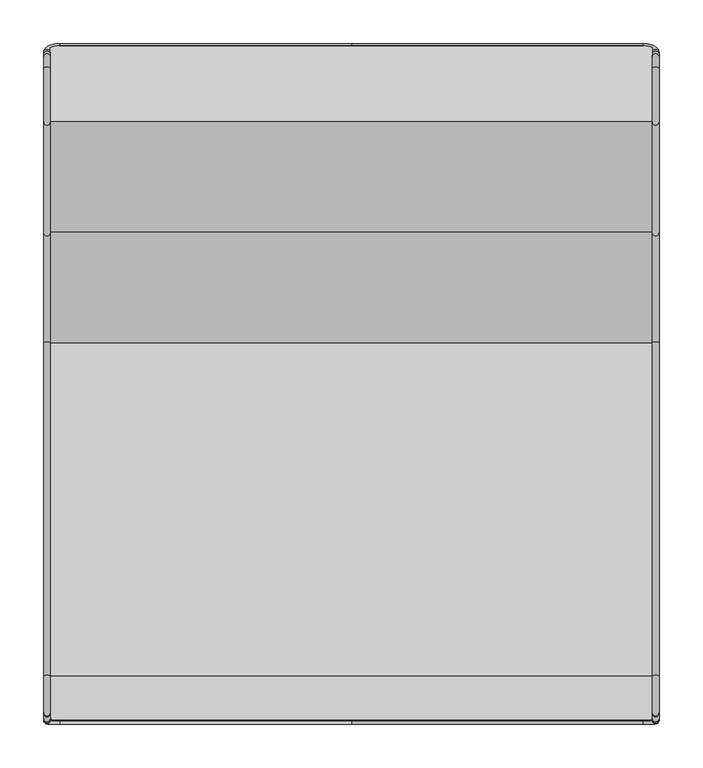
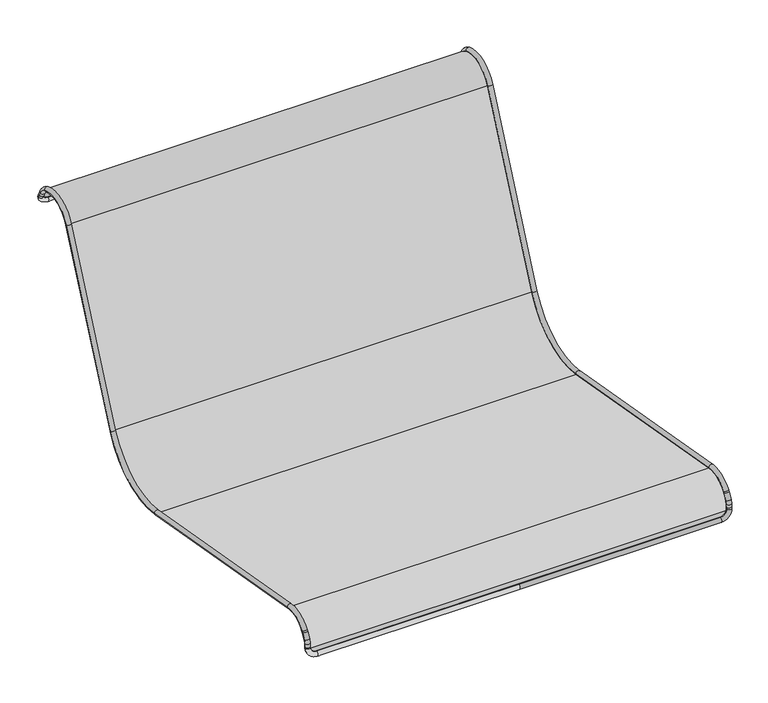
"""IFC4 building model written with IfcOpenShell, lengths in millimetres: furniture geometry."""

from ifc_helpers import new_model, si_unit, point, frame, frame_2d, origin, place, context, project, spatial, polyline, circle_curve, ellipse_curve, trimmed, segment, composite_curve, outline, extrude, source, transform, mapped, element, save
from ifc_brep_helpers import cylinder_surface, revolved_surface, advanced_brep


def furniture_10252353(model_context):
    return source(origin(), model_context, "Body", "SolidModel", [
        advanced_brep(
        [(-353.440108, 373.7937013, 682.4780585), (-353.440108, 371.646043, 686.9933175), (-345.440108, 371.646043, 686.9933175), (-345.440108, 373.7937013, 682.4780585), (-345.440108, 296.4612266, 676.0749425), (-345.440108, 357.7572354, 700.2806419), (-353.440108, 357.7572354, 700.2806419), (-353.440108, 296.4612266, 676.0749425), (-353.440108, 169.6234197, 391.1925638), (-345.440108, 169.6234197, 391.1925638), (-353.440108, 43.6034187, 324.1865407), (-345.440108, 43.6034187, 324.1865407), (-353.440108, -338.739978, 391.6039975), (-345.440108, -338.739978, 391.6039975), (-353.440108, -381.5432629, 374.8006881), (-345.440108, -381.5432629, 374.8006881), (-345.440108, -382.9815742, 372.5487627), (-353.440108, -382.9815742, 372.5487627), (-353.440108, -388.067645, 362.9832548), (-345.440108, -388.067645, 362.9832548), (0.0, 384.102461, 660.8048152), (-334.440108, 384.102461, 660.8048152), (-334.440108, 380.6662078, 668.0292297), (0.0, 380.6662078, 668.0292297), (-345.440108, 375.9413596, 677.9627995), (-353.440108, 375.9413596, 677.9627995), (-345.440108, -389.6972432, 357.1071135), (-353.440108, -389.6972432, 357.1071135), (-353.440108, -389.9613935, 352.0668255), (-345.440108, -389.9613935, 352.0668255), (0.0, -391.0683935, 330.9440069), (-334.440108, -391.0683935, 330.9440069), (-334.440108, -390.6497059, 338.9330432), (0.0, -390.6497059, 338.9330432), (-345.440108, -390.0740104, 349.9179681), (-353.440108, -390.0740104, 349.9179681), (334.440108, -390.6497059, 338.9330432), (334.440108, -391.0683935, 330.9440069), (353.440108, -390.0740104, 349.9179681), (345.440108, -390.0740104, 349.9179681), (345.440108, -389.9613935, 352.0668255), (353.440108, -389.9613935, 352.0668255), (345.440108, 373.7937013, 682.4780585), (345.440108, 371.646043, 686.9933175), (353.440108, 371.646043, 686.9933175), (353.440108, 373.7937013, 682.4780585), (353.440108, 296.4612266, 676.0749425), (353.440108, 357.7572354, 700.2806419), (345.440108, 357.7572354, 700.2806419), (345.440108, 296.4612266, 676.0749425), (345.440108, 169.6234197, 391.1925638), (353.440108, 169.6234197, 391.1925638), (345.440108, 43.6034187, 324.1865407), (353.440108, 43.6034187, 324.1865407), (345.440108, -338.739978, 391.6039975), (353.440108, -338.739978, 391.6039975), (345.440108, -381.5432629, 374.8006881), (353.440108, -381.5432629, 374.8006881), (353.440108, -382.9815742, 372.5487627), (345.440108, -382.9815742, 372.5487627), (345.440108, -388.067645, 362.9832548), (353.440108, -388.067645, 362.9832548), (353.440108, -389.6972432, 357.1071135), (345.440108, -389.6972432, 357.1071135), (334.440108, 380.6662078, 668.0292297), (334.440108, 384.102461, 660.8048152), (353.440108, 375.9413596, 677.9627995), (345.440108, 375.9413596, 677.9627995)],
        [
            (0, 1),
            (1, 2, circle_curve(frame((-349.440108, 371.646043, 686.9933175), z_axis=(0.0, 0.4295316530768693, -0.9030518030573064), x_axis=(1.0, 0.0, 0.0)), 4.0)),
            (2, 3),
            (3, 0, circle_curve(frame((-349.440108, 373.7937013, 682.4780585), z_axis=(0.0, -0.4295316530768693, 0.9030518030573064), x_axis=(1.0, 0.0, 0.0)), 4.0)),
            (0, 3, circle_curve(frame((-349.440108, 373.7937013, 682.4780585), z_axis=(0.0, -0.4295316530768693, 0.9030518030573064), x_axis=(1.0, 0.0, 0.0)), 4.0)),
            (2, 1, circle_curve(frame((-349.440108, 371.646043, 686.9933175), z_axis=(0.0, 0.4295316530768693, -0.9030518030573064), x_axis=(1.0, 0.0, 0.0)), 4.0)),
            (4, 5, circle_curve(frame((-345.440108, 339.4462618, 656.9367718), z_axis=(-1.0, 0.0, 0.0), x_axis=(0.0, 0.38915652171683707, 0.9211716461144758)), 47.0529789)),
            (5, 6, circle_curve(frame((-349.440108, 357.7572354, 700.2806419), z_axis=(0.0, -0.9211716461144758, 0.38915652171683707), x_axis=(1.0, 0.0, 0.0)), 4.0)),
            (6, 7, circle_curve(frame((-353.440108, 339.4462618, 656.9367718), z_axis=(1.0, 0.0, 0.0), x_axis=(0.0, 0.38915652171683707, 0.9211716461144758)), 47.0529789)),
            (7, 4, circle_curve(frame((-349.440108, 296.4612266, 676.0749425), z_axis=(0.0, 0.406736643075932, 0.9135454576425424), x_axis=(1.0, 0.0, 0.0)), 4.0)),
            (4, 7, circle_curve(frame((-349.440108, 296.4612266, 676.0749425), z_axis=(0.0, 0.406736643075932, 0.9135454576425424), x_axis=(1.0, 0.0, 0.0)), 4.0)),
            (6, 5, circle_curve(frame((-349.440108, 357.7572354, 700.2806419), z_axis=(0.0, -0.9211716461144758, 0.38915652171683707), x_axis=(1.0, 0.0, 0.0)), 4.0)),
            (7, 8),
            (8, 9, circle_curve(frame((-349.440108, 169.6234197, 391.1925638), z_axis=(0.0, 0.4067366430759277, 0.9135454576425441), x_axis=(1.0, 0.0, 0.0)), 4.0)),
            (9, 4),
            (9, 8, circle_curve(frame((-349.440108, 169.6234197, 391.1925638), z_axis=(0.0, 0.4067366430759277, 0.9135454576425441), x_axis=(1.0, 0.0, 0.0)), 4.0)),
            (8, 10, circle_curve(frame((-353.440108, 63.7315199, 438.3386751), z_axis=(-1.0, 0.0, 0.0), x_axis=(0.0, 0.9135454576425466, -0.40673664307592233)), 115.9131151)),
            (10, 11, circle_curve(frame((-349.440108, 43.6034187, 324.1865407), z_axis=(0.0, 0.9848077530121874, -0.17364817766704793), x_axis=(1.0, 0.0, 0.0)), 4.0)),
            (11, 9, circle_curve(frame((-345.440108, 63.7315199, 438.3386751), z_axis=(1.0, 0.0, 0.0), x_axis=(0.0, 0.9135454576425466, -0.40673664307592233)), 115.9131151)),
            (11, 10, circle_curve(frame((-349.440108, 43.6034187, 324.1865407), z_axis=(0.0, 0.9848077530121874, -0.17364817766704793), x_axis=(1.0, 0.0, 0.0)), 4.0)),
            (10, 12),
            (12, 13, circle_curve(frame((-349.440108, -338.739978, 391.6039975), z_axis=(0.0, 0.9848077530121863, -0.17364817766705426), x_axis=(1.0, 0.0, 0.0)), 4.0)),
            (13, 11),
            (13, 12, circle_curve(frame((-349.440108, -338.739978, 391.6039975), z_axis=(0.0, 0.9848077530121863, -0.17364817766705426), x_axis=(1.0, 0.0, 0.0)), 4.0)),
            (12, 14, circle_curve(frame((-353.440108, -346.3955852, 348.1868914), z_axis=(1.0, 0.0, 0.0), x_axis=(0.0, 0.17364817766705343, 0.9848077530121864)), 44.0868849)),
            (14, 15, circle_curve(frame((-349.440108, -381.5432629, 374.8006881), z_axis=(0.0, 0.6036669805096835, 0.7972365876214673), x_axis=(1.0, 0.0, 0.0)), 4.0)),
            (15, 13, circle_curve(frame((-345.440108, -346.3955852, 348.1868914), z_axis=(-1.0, 0.0, 0.0), x_axis=(0.0, 0.17364817766705343, 0.9848077530121864)), 44.0868849)),
            (15, 14, circle_curve(frame((-349.440108, -381.5432629, 374.8006881), z_axis=(0.0, 0.6036669805096835, 0.7972365876214673), x_axis=(1.0, 0.0, 0.0)), 4.0)),
            (16, 17, circle_curve(frame((-349.440108, -382.9815742, 372.5487627), z_axis=(0.0, -0.46947156278589175, -0.8829475928589264), x_axis=(1.0, 0.0, 0.0)), 4.0)),
            (17, 18),
            (18, 19, circle_curve(frame((-349.440108, -388.067645, 362.9832548), z_axis=(0.0, 0.46947156278589175, 0.8829475928589264), x_axis=(1.0, 0.0, 0.0)), 4.0)),
            (19, 16),
            (17, 16, circle_curve(frame((-349.440108, -382.9815742, 372.5487627), z_axis=(0.0, -0.46947156278589175, -0.8829475928589264), x_axis=(1.0, 0.0, 0.0)), 4.0)),
            (19, 18, circle_curve(frame((-349.440108, -388.067645, 362.9832548), z_axis=(0.0, 0.46947156278589175, 0.8829475928589264), x_axis=(1.0, 0.0, 0.0)), 4.0)),
            (1, 6, circle_curve(frame((-353.440108, 347.239684, 675.3845663), z_axis=(1.0, 0.0, 0.0), x_axis=(0.0, 0.9030518030573125, 0.4295316530768563)), 27.0265327)),
            (5, 2, circle_curve(frame((-345.440108, 347.239684, 675.3845663), z_axis=(-1.0, 0.0, 0.0), x_axis=(0.0, 0.9030518030573125, 0.4295316530768563)), 27.0265327)),
            (20, 21),
            (21, 22, circle_curve(frame((-334.440108, 382.3843344, 664.4170225), z_axis=(1.0, 0.0, 0.0), x_axis=(0.0, -0.4295316530768436, 0.9030518030573186)), 4.0)),
            (22, 23),
            (23, 20, circle_curve(frame((0.0, 382.3843344, 664.4170225), z_axis=(-1.0, 0.0, 0.0), x_axis=(0.0, -0.4295316530768436, 0.9030518030573186)), 4.0)),
            (20, 23, circle_curve(frame((0.0, 382.3843344, 664.4170225), z_axis=(-1.0, 0.0, 0.0), x_axis=(0.0, -0.4295316530768436, 0.9030518030573186)), 4.0)),
            (22, 21, circle_curve(frame((-334.440108, 382.3843344, 664.4170225), z_axis=(1.0, 0.0, 0.0), x_axis=(0.0, -0.4295316530768436, 0.9030518030573186)), 4.0)),
            (24, 25, circle_curve(frame((-349.440108, 375.9413596, 677.9627995), z_axis=(0.0, -0.4295316530768436, 0.9030518030573186), x_axis=(1.0, 0.0, 0.0)), 4.0)),
            (25, 0),
            (3, 24),
            (25, 24, circle_curve(frame((-349.440108, 375.9413596, 677.9627995), z_axis=(0.0, -0.4295316530768436, 0.9030518030573186), x_axis=(1.0, 0.0, 0.0)), 4.0)),
            (21, 25, circle_curve(frame((-334.440108, 375.9413596, 677.9627995), z_axis=(0.0, 0.9030518030573186, 0.4295316530768436), x_axis=(0.0, 0.4295316530768436, -0.9030518030573186)), 19.0)),
            (24, 22, circle_curve(frame((-334.440108, 375.9413596, 677.9627995), z_axis=(0.0, -0.9030518030573186, -0.4295316530768436), x_axis=(0.0, 0.4295316530768436, -0.9030518030573186)), 11.0)),
            (14, 17, circle_curve(frame((-353.440108, -368.164883, 364.6705883), z_axis=(1.0, 0.0, 0.0), x_axis=(0.0, -0.7972365876214653, 0.6036669805096861)), 16.7809407)),
            (16, 15, circle_curve(frame((-345.440108, -368.164883, 364.6705883), z_axis=(-1.0, 0.0, 0.0), x_axis=(0.0, -0.7972365876214653, 0.6036669805096861)), 16.7809407)),
            (26, 27, circle_curve(frame((-349.440108, -389.6972432, 357.1071135), z_axis=(0.0, -0.05233595624294962, -0.9986295347545736), x_axis=(1.0, 0.0, 0.0)), 4.0)),
            (27, 28),
            (28, 29, circle_curve(frame((-349.440108, -389.9613935, 352.0668255), z_axis=(0.0, 0.05233595624294962, 0.9986295347545736), x_axis=(1.0, 0.0, 0.0)), 4.0)),
            (29, 26),
            (27, 26, circle_curve(frame((-349.440108, -389.6972432, 357.1071135), z_axis=(0.0, -0.05233595624294962, -0.9986295347545736), x_axis=(1.0, 0.0, 0.0)), 4.0)),
            (29, 28, circle_curve(frame((-349.440108, -389.9613935, 352.0668255), z_axis=(0.0, 0.05233595624294962, 0.9986295347545736), x_axis=(1.0, 0.0, 0.0)), 4.0)),
            (18, 27, circle_curve(frame((-353.440108, -375.6296639, 356.3698629), z_axis=(1.0, 0.0, 0.0), x_axis=(0.0, -0.8829475928589232, 0.46947156278589786)), 14.0868849)),
            (26, 19, circle_curve(frame((-345.440108, -375.6296639, 356.3698629), z_axis=(-1.0, 0.0, 0.0), x_axis=(0.0, -0.8829475928589232, 0.46947156278589786)), 14.0868849)),
            (30, 31),
            (31, 32, circle_curve(frame((-334.440108, -390.8590497, 334.938525), z_axis=(1.0, 0.0, 0.0), x_axis=(0.0, 0.052335956242932254, 0.9986295347545745)), 4.0)),
            (32, 33),
            (33, 30, circle_curve(frame((0.0, -390.8590497, 334.938525), z_axis=(-1.0, 0.0, 0.0), x_axis=(0.0, 0.052335956242932254, 0.9986295347545745)), 4.0)),
            (30, 33, circle_curve(frame((0.0, -390.8590497, 334.938525), z_axis=(-1.0, 0.0, 0.0), x_axis=(0.0, 0.052335956242932254, 0.9986295347545745)), 4.0)),
            (32, 31, circle_curve(frame((-334.440108, -390.8590497, 334.938525), z_axis=(1.0, 0.0, 0.0), x_axis=(0.0, 0.052335956242932254, 0.9986295347545745)), 4.0)),
            (34, 35, circle_curve(frame((-349.440108, -390.0740104, 349.9179681), z_axis=(0.0, 0.052335956242932254, 0.9986295347545745), x_axis=(1.0, 0.0, 0.0)), 4.0)),
            (35, 28),
            (29, 34),
            (35, 34, circle_curve(frame((-349.440108, -390.0740104, 349.9179681), z_axis=(0.0, 0.052335956242932254, 0.9986295347545745), x_axis=(1.0, 0.0, 0.0)), 4.0)),
            (31, 35, circle_curve(frame((-334.440108, -390.0740104, 349.9179681), z_axis=(0.0, 0.9986295347545745, -0.052335956242932254), x_axis=(0.0, -0.052335956242932254, -0.9986295347545745)), 19.0)),
            (34, 32, circle_curve(frame((-334.440108, -390.0740104, 349.9179681), z_axis=(0.0, -0.9986295347545745, 0.052335956242932254), x_axis=(0.0, -0.052335956242932254, -0.9986295347545745)), 11.0)),
            (33, 36),
            (36, 37, circle_curve(frame((334.440108, -390.8590497, 334.938525), z_axis=(-1.0, 0.0, 0.0), x_axis=(0.0, 0.052335956242932254, 0.9986295347545745)), 4.0)),
            (37, 30),
            (37, 36, circle_curve(frame((334.440108, -390.8590497, 334.938525), z_axis=(-1.0, 0.0, 0.0), x_axis=(0.0, 0.052335956242932254, 0.9986295347545745)), 4.0)),
            (38, 39, circle_curve(frame((349.440108, -390.0740104, 349.9179681), z_axis=(0.0, 0.052335956242932254, 0.9986295347545745), x_axis=(-1.0, 0.0, 0.0)), 4.0)),
            (39, 40),
            (40, 41, circle_curve(frame((349.440108, -389.9613935, 352.0668255), z_axis=(0.0, -0.052335956242932254, -0.9986295347545745), x_axis=(-1.0, 0.0, 0.0)), 4.0)),
            (41, 38),
            (39, 38, circle_curve(frame((349.440108, -390.0740104, 349.9179681), z_axis=(0.0, 0.052335956242932254, 0.9986295347545745), x_axis=(-1.0, 0.0, 0.0)), 4.0)),
            (41, 40, circle_curve(frame((349.440108, -389.9613935, 352.0668255), z_axis=(0.0, -0.052335956242932254, -0.9986295347545745), x_axis=(-1.0, 0.0, 0.0)), 4.0)),
            (36, 39, circle_curve(frame((334.440108, -390.0740104, 349.9179681), z_axis=(0.0, -0.9986295347545745, 0.052335956242932254), x_axis=(0.0, -0.052335956242932254, -0.9986295347545745)), 11.0)),
            (38, 37, circle_curve(frame((334.440108, -390.0740104, 349.9179681), z_axis=(0.0, 0.9986295347545745, -0.052335956242932254), x_axis=(0.0, -0.052335956242932254, -0.9986295347545745)), 19.0)),
            (42, 43),
            (43, 44, circle_curve(frame((349.440108, 371.646043, 686.9933175), z_axis=(0.0, 0.4295316530768692, -0.9030518030573064), x_axis=(-1.0, 0.0, 0.0)), 4.0)),
            (44, 45),
            (45, 42, circle_curve(frame((349.440108, 373.7937013, 682.4780585), z_axis=(0.0, -0.4295316530768692, 0.9030518030573064), x_axis=(-1.0, 0.0, 0.0)), 4.0)),
            (42, 45, circle_curve(frame((349.440108, 373.7937013, 682.4780585), z_axis=(0.0, -0.4295316530768692, 0.9030518030573064), x_axis=(-1.0, 0.0, 0.0)), 4.0)),
            (44, 43, circle_curve(frame((349.440108, 371.646043, 686.9933175), z_axis=(0.0, 0.4295316530768692, -0.9030518030573064), x_axis=(-1.0, 0.0, 0.0)), 4.0)),
            (46, 47, circle_curve(frame((353.440108, 339.4462618, 656.9367718), z_axis=(-1.0, 0.0, 0.0), x_axis=(0.0, 0.38915652171683707, 0.9211716461144758)), 47.0529789)),
            (47, 48, circle_curve(frame((349.440108, 357.7572354, 700.2806419), z_axis=(0.0, -0.9211716461144757, 0.3891565217168374), x_axis=(-1.0, 0.0, 0.0)), 4.0)),
            (48, 49, circle_curve(frame((345.440108, 339.4462618, 656.9367718), z_axis=(1.0, 0.0, 0.0), x_axis=(0.0, 0.38915652171683707, 0.9211716461144758)), 47.0529789)),
            (49, 46, circle_curve(frame((349.440108, 296.4612266, 676.0749425), z_axis=(0.0, 0.40673664307593455, 0.9135454576425411), x_axis=(-1.0, 0.0, 0.0)), 4.0)),
            (46, 49, circle_curve(frame((349.440108, 296.4612266, 676.0749425), z_axis=(0.0, 0.40673664307593455, 0.9135454576425411), x_axis=(-1.0, 0.0, 0.0)), 4.0)),
            (48, 47, circle_curve(frame((349.440108, 357.7572354, 700.2806419), z_axis=(0.0, -0.9211716461144757, 0.3891565217168374), x_axis=(-1.0, 0.0, 0.0)), 4.0)),
            (49, 50),
            (50, 51, circle_curve(frame((349.440108, 169.6234197, 391.1925638), z_axis=(0.0, 0.40673664307592794, 0.913545457642544), x_axis=(-1.0, 0.0, 0.0)), 4.0)),
            (51, 46),
            (51, 50, circle_curve(frame((349.440108, 169.6234197, 391.1925638), z_axis=(0.0, 0.40673664307592794, 0.913545457642544), x_axis=(-1.0, 0.0, 0.0)), 4.0)),
            (50, 52, circle_curve(frame((345.440108, 63.7315199, 438.3386751), z_axis=(-1.0, 0.0, 0.0), x_axis=(0.0, 0.9135454576425461, -0.40673664307592317)), 115.9131151)),
            (52, 53, circle_curve(frame((349.440108, 43.6034187, 324.1865407), z_axis=(0.0, 0.9848077530121875, -0.17364817766704635), x_axis=(-1.0, 0.0, 0.0)), 4.0)),
            (53, 51, circle_curve(frame((353.440108, 63.7315199, 438.3386751), z_axis=(1.0, 0.0, 0.0), x_axis=(0.0, 0.9135454576425461, -0.40673664307592317)), 115.9131151)),
            (53, 52, circle_curve(frame((349.440108, 43.6034187, 324.1865407), z_axis=(0.0, 0.9848077530121875, -0.17364817766704635), x_axis=(-1.0, 0.0, 0.0)), 4.0)),
            (52, 54),
            (54, 55, circle_curve(frame((349.440108, -338.739978, 391.6039975), z_axis=(0.0, 0.9848077530121863, -0.17364817766705457), x_axis=(-1.0, 0.0, 0.0)), 4.0)),
            (55, 53),
            (55, 54, circle_curve(frame((349.440108, -338.739978, 391.6039975), z_axis=(0.0, 0.9848077530121863, -0.17364817766705457), x_axis=(-1.0, 0.0, 0.0)), 4.0)),
            (54, 56, circle_curve(frame((345.440108, -346.3955852, 348.1868914), z_axis=(1.0, 0.0, 0.0), x_axis=(0.0, 0.17364817766705343, 0.9848077530121864)), 44.0868849)),
            (56, 57, circle_curve(frame((349.440108, -381.5432629, 374.8006881), z_axis=(0.0, 0.603666980509683, 0.7972365876214675), x_axis=(-1.0, 0.0, 0.0)), 4.0)),
            (57, 55, circle_curve(frame((353.440108, -346.3955852, 348.1868914), z_axis=(-1.0, 0.0, 0.0), x_axis=(0.0, 0.17364817766705343, 0.9848077530121864)), 44.0868849)),
            (57, 56, circle_curve(frame((349.440108, -381.5432629, 374.8006881), z_axis=(0.0, 0.603666980509683, 0.7972365876214675), x_axis=(-1.0, 0.0, 0.0)), 4.0)),
            (58, 59, circle_curve(frame((349.440108, -382.9815742, 372.5487627), z_axis=(0.0, -0.46947156278589214, -0.8829475928589262), x_axis=(-1.0, 0.0, 0.0)), 4.0)),
            (59, 60),
            (60, 61, circle_curve(frame((349.440108, -388.067645, 362.9832548), z_axis=(0.0, 0.46947156278589214, 0.8829475928589262), x_axis=(-1.0, 0.0, 0.0)), 4.0)),
            (61, 58),
            (59, 58, circle_curve(frame((349.440108, -382.9815742, 372.5487627), z_axis=(0.0, -0.46947156278589214, -0.8829475928589262), x_axis=(-1.0, 0.0, 0.0)), 4.0)),
            (61, 60, circle_curve(frame((349.440108, -388.067645, 362.9832548), z_axis=(0.0, 0.46947156278589214, 0.8829475928589262), x_axis=(-1.0, 0.0, 0.0)), 4.0)),
            (43, 48, circle_curve(frame((345.440108, 347.239684, 675.3845663), z_axis=(1.0, 0.0, 0.0), x_axis=(0.0, 0.9030518030573125, 0.4295316530768563)), 27.0265327)),
            (47, 44, circle_curve(frame((353.440108, 347.239684, 675.3845663), z_axis=(-1.0, 0.0, 0.0), x_axis=(0.0, 0.9030518030573125, 0.4295316530768563)), 27.0265327)),
            (56, 59, circle_curve(frame((345.440108, -368.164883, 364.6705883), z_axis=(1.0, 0.0, 0.0), x_axis=(0.0, -0.7972365876214653, 0.6036669805096861)), 16.7809407)),
            (58, 57, circle_curve(frame((353.440108, -368.164883, 364.6705883), z_axis=(-1.0, 0.0, 0.0), x_axis=(0.0, -0.7972365876214653, 0.6036669805096861)), 16.7809407)),
            (62, 63, circle_curve(frame((349.440108, -389.6972432, 357.1071135), z_axis=(0.0, -0.052335956242950066, -0.9986295347545737), x_axis=(-1.0, 0.0, 0.0)), 4.0)),
            (63, 40),
            (41, 62),
            (63, 62, circle_curve(frame((349.440108, -389.6972432, 357.1071135), z_axis=(0.0, -0.052335956242950066, -0.9986295347545737), x_axis=(-1.0, 0.0, 0.0)), 4.0)),
            (60, 63, circle_curve(frame((345.440108, -375.6296639, 356.3698629), z_axis=(1.0, 0.0, 0.0), x_axis=(0.0, -0.8829475928589232, 0.46947156278589786)), 14.0868849)),
            (62, 61, circle_curve(frame((353.440108, -375.6296639, 356.3698629), z_axis=(-1.0, 0.0, 0.0), x_axis=(0.0, -0.8829475928589232, 0.46947156278589786)), 14.0868849)),
            (23, 64),
            (64, 65, circle_curve(frame((334.440108, 382.3843344, 664.4170225), z_axis=(-1.0, 0.0, 0.0), x_axis=(0.0, -0.4295316530768436, 0.9030518030573186)), 4.0)),
            (65, 20),
            (65, 64, circle_curve(frame((334.440108, 382.3843344, 664.4170225), z_axis=(-1.0, 0.0, 0.0), x_axis=(0.0, -0.4295316530768436, 0.9030518030573186)), 4.0)),
            (66, 67, circle_curve(frame((349.440108, 375.9413596, 677.9627995), z_axis=(0.0, -0.4295316530768436, 0.9030518030573186), x_axis=(-1.0, 0.0, 0.0)), 4.0)),
            (67, 42),
            (45, 66),
            (67, 66, circle_curve(frame((349.440108, 375.9413596, 677.9627995), z_axis=(0.0, -0.4295316530768436, 0.9030518030573186), x_axis=(-1.0, 0.0, 0.0)), 4.0)),
            (64, 67, circle_curve(frame((334.440108, 375.9413596, 677.9627995), z_axis=(0.0, -0.9030518030573186, -0.4295316530768436), x_axis=(0.0, 0.4295316530768436, -0.9030518030573186)), 11.0)),
            (66, 65, circle_curve(frame((334.440108, 375.9413596, 677.9627995), z_axis=(0.0, 0.9030518030573186, 0.4295316530768436), x_axis=(0.0, 0.4295316530768436, -0.9030518030573186)), 19.0)),
        ],
        [
            cylinder_surface(frame((-349.440108, 373.7937013, 682.4780585), z_axis=(0.0, 0.4295316530768693, -0.9030518030573064), x_axis=(1.0, 0.0, 0.0)), 4.0),
            revolved_surface(trimmed(ellipse_curve(frame((-349.440108, 357.7572354, 700.2806419), z_axis=(0.0, 0.9211716461144758, -0.38915652171683707), x_axis=(1.0, 0.0, 0.0)), 4.0, 4.0), [point((-353.440108, 357.7572354, 700.2806419))], [point((-345.440108, 357.7572354, 700.2806419))], True, "CARTESIAN"), (0.0, 339.4462618, 656.9367718), (1.0, 0.0, 0.0)),
            revolved_surface(trimmed(ellipse_curve(frame((-349.440108, 357.7572354, 700.2806419), z_axis=(0.0, 0.9211716461144758, -0.38915652171683707), x_axis=(1.0, 0.0, 0.0)), 4.0, 4.0), [point((-345.440108, 357.7572354, 700.2806419))], [point((-353.440108, 357.7572354, 700.2806419))], True, "CARTESIAN"), (0.0, 339.4462618, 656.9367718), (1.0, 0.0, 0.0)),
            cylinder_surface(frame((-349.440108, 296.4612266, 676.0749425), z_axis=(0.0, 0.4067366430759277, 0.9135454576425441), x_axis=(1.0, 0.0, 0.0)), 4.0),
            revolved_surface(trimmed(ellipse_curve(frame((-349.440108, 169.6234197, 391.1925638), z_axis=(0.0, 0.40673664307592206, 0.9135454576425467), x_axis=(1.0, 0.0, 0.0)), 4.0, 4.0), [point((-353.440108, 169.6234197, 391.1925638))], [point((-345.440108, 169.6234197, 391.1925638))], True, "CARTESIAN"), (0.0, 63.7315199, 438.3386751), (-1.0, 0.0, 0.0)),
            revolved_surface(trimmed(ellipse_curve(frame((-349.440108, 169.6234197, 391.1925638), z_axis=(0.0, 0.40673664307592206, 0.9135454576425467), x_axis=(1.0, 0.0, 0.0)), 4.0, 4.0), [point((-345.440108, 169.6234197, 391.1925638))], [point((-353.440108, 169.6234197, 391.1925638))], True, "CARTESIAN"), (0.0, 63.7315199, 438.3386751), (-1.0, 0.0, 0.0)),
            cylinder_surface(frame((-349.440108, 43.6034187, 324.1865407), z_axis=(0.0, 0.9848077530121863, -0.17364817766705426), x_axis=(1.0, 0.0, 0.0)), 4.0),
            revolved_surface(trimmed(ellipse_curve(frame((-349.440108, -338.739978, 391.6039975), z_axis=(0.0, 0.9848077530121864, -0.17364817766705326), x_axis=(1.0, 0.0, 0.0)), 4.0, 4.0), [point((-353.440108, -338.739978, 391.6039975))], [point((-345.440108, -338.739978, 391.6039975))], True, "CARTESIAN"), (0.0, -346.3955852, 348.1868914), (1.0, 0.0, 0.0)),
            revolved_surface(trimmed(ellipse_curve(frame((-349.440108, -338.739978, 391.6039975), z_axis=(0.0, 0.9848077530121864, -0.17364817766705326), x_axis=(1.0, 0.0, 0.0)), 4.0, 4.0), [point((-345.440108, -338.739978, 391.6039975))], [point((-353.440108, -338.739978, 391.6039975))], True, "CARTESIAN"), (0.0, -346.3955852, 348.1868914), (1.0, 0.0, 0.0)),
            cylinder_surface(frame((-349.440108, -382.9815742, 372.5487627), z_axis=(0.0, 0.46947156278589175, 0.8829475928589264), x_axis=(1.0, 0.0, 0.0)), 4.0),
            revolved_surface(trimmed(ellipse_curve(frame((-349.440108, 371.646043, 686.9933175), z_axis=(0.0, 0.4295316530768563, -0.9030518030573125), x_axis=(1.0, 0.0, 0.0)), 4.0, 4.0), [point((-353.440108, 371.646043, 686.9933175))], [point((-345.440108, 371.646043, 686.9933175))], True, "CARTESIAN"), (0.0, 347.239684, 675.3845663), (1.0, 0.0, 0.0)),
            revolved_surface(trimmed(ellipse_curve(frame((-349.440108, 371.646043, 686.9933175), z_axis=(0.0, 0.4295316530768563, -0.9030518030573125), x_axis=(1.0, 0.0, 0.0)), 4.0, 4.0), [point((-345.440108, 371.646043, 686.9933175))], [point((-353.440108, 371.646043, 686.9933175))], True, "CARTESIAN"), (0.0, 347.239684, 675.3845663), (1.0, 0.0, 0.0)),
            cylinder_surface(frame((0.0, 382.3843344, 664.4170225), z_axis=(1.0, 0.0, 0.0), x_axis=(0.0, -0.4295316530768436, 0.9030518030573186)), 4.0),
            cylinder_surface(frame((-349.440108, 375.9413596, 677.9627995), z_axis=(0.0, 0.4295316530768436, -0.9030518030573186), x_axis=(1.0, 0.0, 0.0)), 4.0),
            revolved_surface(trimmed(ellipse_curve(frame((-334.440108, 382.3843344, 664.4170225), z_axis=(1.0, 0.0, 0.0), x_axis=(0.0, -0.4295316530768436, 0.9030518030573186)), 4.0, 4.0), [point((-334.440108, 384.102461, 660.8048152))], [point((-334.440108, 380.6662078, 668.0292297))], True, "CARTESIAN"), (-334.440108, -297.7152046, 357.5417377), (0.0, 0.9030518030573186, 0.4295316530768436)),
            revolved_surface(trimmed(ellipse_curve(frame((-334.440108, 382.3843344, 664.4170225), z_axis=(1.0, 0.0, 0.0), x_axis=(0.0, -0.4295316530768436, 0.9030518030573186)), 4.0, 4.0), [point((-334.440108, 380.6662078, 668.0292297))], [point((-334.440108, 384.102461, 660.8048152))], True, "CARTESIAN"), (-334.440108, -297.7152046, 357.5417377), (0.0, 0.9030518030573186, 0.4295316530768436)),
            revolved_surface(trimmed(ellipse_curve(frame((-349.440108, -381.5432629, 374.8006881), z_axis=(0.0, 0.6036669805096861, 0.7972365876214653), x_axis=(1.0, 0.0, 0.0)), 4.0, 4.0), [point((-353.440108, -381.5432629, 374.8006881))], [point((-345.440108, -381.5432629, 374.8006881))], True, "CARTESIAN"), (0.0, -368.164883, 364.6705883), (1.0, 0.0, 0.0)),
            revolved_surface(trimmed(ellipse_curve(frame((-349.440108, -381.5432629, 374.8006881), z_axis=(0.0, 0.6036669805096861, 0.7972365876214653), x_axis=(1.0, 0.0, 0.0)), 4.0, 4.0), [point((-345.440108, -381.5432629, 374.8006881))], [point((-353.440108, -381.5432629, 374.8006881))], True, "CARTESIAN"), (0.0, -368.164883, 364.6705883), (1.0, 0.0, 0.0)),
            cylinder_surface(frame((-349.440108, -389.6972432, 357.1071135), z_axis=(0.0, 0.05233595624294962, 0.9986295347545736), x_axis=(1.0, 0.0, 0.0)), 4.0),
            revolved_surface(trimmed(ellipse_curve(frame((-349.440108, -388.067645, 362.9832548), z_axis=(0.0, 0.46947156278589786, 0.8829475928589232), x_axis=(1.0, 0.0, 0.0)), 4.0, 4.0), [point((-353.440108, -388.067645, 362.9832548))], [point((-345.440108, -388.067645, 362.9832548))], True, "CARTESIAN"), (0.0, -375.6296639, 356.3698629), (1.0, 0.0, 0.0)),
            revolved_surface(trimmed(ellipse_curve(frame((-349.440108, -388.067645, 362.9832548), z_axis=(0.0, 0.46947156278589786, 0.8829475928589232), x_axis=(1.0, 0.0, 0.0)), 4.0, 4.0), [point((-345.440108, -388.067645, 362.9832548))], [point((-353.440108, -388.067645, 362.9832548))], True, "CARTESIAN"), (0.0, -375.6296639, 356.3698629), (1.0, 0.0, 0.0)),
            cylinder_surface(frame((0.0, -390.8590497, 334.938525), z_axis=(1.0, 0.0, 0.0), x_axis=(0.0, 0.052335956242932254, 0.9986295347545745)), 4.0),
            cylinder_surface(frame((-349.440108, -390.0740104, 349.9179681), z_axis=(0.0, -0.052335956242932254, -0.9986295347545745), x_axis=(1.0, 0.0, 0.0)), 4.0),
            revolved_surface(trimmed(ellipse_curve(frame((-334.440108, -390.8590497, 334.938525), z_axis=(1.0, 0.0, 0.0), x_axis=(0.0, 0.052335956242932254, 0.9986295347545745)), 4.0, 4.0), [point((-334.440108, -391.0683935, 330.9440069))], [point((-334.440108, -390.6497059, 338.9330432))], True, "CARTESIAN"), (-334.440108, -1135.0294371, 388.9594276), (0.0, 0.9986295347545745, -0.052335956242932254)),
            revolved_surface(trimmed(ellipse_curve(frame((-334.440108, -390.8590497, 334.938525), z_axis=(1.0, 0.0, 0.0), x_axis=(0.0, 0.052335956242932254, 0.9986295347545745)), 4.0, 4.0), [point((-334.440108, -390.6497059, 338.9330432))], [point((-334.440108, -391.0683935, 330.9440069))], True, "CARTESIAN"), (-334.440108, -1135.0294371, 388.9594276), (0.0, 0.9986295347545745, -0.052335956242932254)),
            cylinder_surface(frame((0.0, -390.8590497, 334.938525), z_axis=(-1.0, 0.0, 0.0), x_axis=(0.0, 0.052335956242932254, 0.9986295347545745)), 4.0),
            cylinder_surface(frame((349.440108, -390.0740104, 349.9179681), z_axis=(0.0, -0.052335956242932254, -0.9986295347545745), x_axis=(-1.0, 0.0, 0.0)), 4.0),
            revolved_surface(trimmed(ellipse_curve(frame((334.440108, -390.8590497, 334.938525), z_axis=(-1.0, 0.0, 0.0), x_axis=(0.0, 0.052335956242932254, 0.9986295347545745)), 4.0, 4.0), [point((334.440108, -390.6497059, 338.9330432))], [point((334.440108, -391.0683935, 330.9440069))], True, "CARTESIAN"), (334.440108, -1135.0294371, 388.9594276), (0.0, -0.9986295347545745, 0.052335956242932254)),
            revolved_surface(trimmed(ellipse_curve(frame((334.440108, -390.8590497, 334.938525), z_axis=(-1.0, 0.0, 0.0), x_axis=(0.0, 0.052335956242932254, 0.9986295347545745)), 4.0, 4.0), [point((334.440108, -391.0683935, 330.9440069))], [point((334.440108, -390.6497059, 338.9330432))], True, "CARTESIAN"), (334.440108, -1135.0294371, 388.9594276), (0.0, -0.9986295347545745, 0.052335956242932254)),
            cylinder_surface(frame((349.440108, 373.7937013, 682.4780585), z_axis=(0.0, 0.4295316530768692, -0.9030518030573064), x_axis=(-1.0, 0.0, 0.0)), 4.0),
            revolved_surface(trimmed(ellipse_curve(frame((349.440108, 357.7572354, 700.2806419), z_axis=(0.0, 0.9211716461144757, -0.3891565217168374), x_axis=(-1.0, 0.0, 0.0)), 4.0, 4.0), [point((345.440108, 357.7572354, 700.2806419))], [point((353.440108, 357.7572354, 700.2806419))], True, "CARTESIAN"), (0.0, 339.4462618, 656.9367718), (1.0, 0.0, 0.0)),
            revolved_surface(trimmed(ellipse_curve(frame((349.440108, 357.7572354, 700.2806419), z_axis=(0.0, 0.9211716461144757, -0.3891565217168374), x_axis=(-1.0, 0.0, 0.0)), 4.0, 4.0), [point((353.440108, 357.7572354, 700.2806419))], [point((345.440108, 357.7572354, 700.2806419))], True, "CARTESIAN"), (0.0, 339.4462618, 656.9367718), (1.0, 0.0, 0.0)),
            cylinder_surface(frame((349.440108, 296.4612266, 676.0749425), z_axis=(0.0, 0.40673664307592794, 0.913545457642544), x_axis=(-1.0, 0.0, 0.0)), 4.0),
            revolved_surface(trimmed(ellipse_curve(frame((349.440108, 169.6234197, 391.1925638), z_axis=(0.0, 0.4067366430759232, 0.9135454576425461), x_axis=(-1.0, 0.0, 0.0)), 4.0, 4.0), [point((345.440108, 169.6234197, 391.1925638))], [point((353.440108, 169.6234197, 391.1925638))], True, "CARTESIAN"), (0.0, 63.7315199, 438.3386751), (-1.0, 0.0, 0.0)),
            revolved_surface(trimmed(ellipse_curve(frame((349.440108, 169.6234197, 391.1925638), z_axis=(0.0, 0.4067366430759232, 0.9135454576425461), x_axis=(-1.0, 0.0, 0.0)), 4.0, 4.0), [point((353.440108, 169.6234197, 391.1925638))], [point((345.440108, 169.6234197, 391.1925638))], True, "CARTESIAN"), (0.0, 63.7315199, 438.3386751), (-1.0, 0.0, 0.0)),
            cylinder_surface(frame((349.440108, 43.6034187, 324.1865407), z_axis=(0.0, 0.9848077530121863, -0.17364817766705457), x_axis=(-1.0, 0.0, 0.0)), 4.0),
            revolved_surface(trimmed(ellipse_curve(frame((349.440108, -338.739978, 391.6039975), z_axis=(0.0, 0.9848077530121864, -0.17364817766705357), x_axis=(-1.0, 0.0, 0.0)), 4.0, 4.0), [point((345.440108, -338.739978, 391.6039975))], [point((353.440108, -338.739978, 391.6039975))], True, "CARTESIAN"), (0.0, -346.3955852, 348.1868914), (1.0, 0.0, 0.0)),
            revolved_surface(trimmed(ellipse_curve(frame((349.440108, -338.739978, 391.6039975), z_axis=(0.0, 0.9848077530121864, -0.17364817766705357), x_axis=(-1.0, 0.0, 0.0)), 4.0, 4.0), [point((353.440108, -338.739978, 391.6039975))], [point((345.440108, -338.739978, 391.6039975))], True, "CARTESIAN"), (0.0, -346.3955852, 348.1868914), (1.0, 0.0, 0.0)),
            cylinder_surface(frame((349.440108, -382.9815742, 372.5487627), z_axis=(0.0, 0.46947156278589214, 0.8829475928589262), x_axis=(-1.0, 0.0, 0.0)), 4.0),
            revolved_surface(trimmed(ellipse_curve(frame((349.440108, 371.646043, 686.9933175), z_axis=(0.0, 0.4295316530768562, -0.9030518030573125), x_axis=(-1.0, 0.0, 0.0)), 4.0, 4.0), [point((345.440108, 371.646043, 686.9933175))], [point((353.440108, 371.646043, 686.9933175))], True, "CARTESIAN"), (0.0, 347.239684, 675.3845663), (1.0, 0.0, 0.0)),
            revolved_surface(trimmed(ellipse_curve(frame((349.440108, 371.646043, 686.9933175), z_axis=(0.0, 0.4295316530768562, -0.9030518030573125), x_axis=(-1.0, 0.0, 0.0)), 4.0, 4.0), [point((353.440108, 371.646043, 686.9933175))], [point((345.440108, 371.646043, 686.9933175))], True, "CARTESIAN"), (0.0, 347.239684, 675.3845663), (1.0, 0.0, 0.0)),
            revolved_surface(trimmed(ellipse_curve(frame((349.440108, -381.5432629, 374.8006881), z_axis=(0.0, 0.6036669805096865, 0.7972365876214651), x_axis=(-1.0, 0.0, 0.0)), 4.0, 4.0), [point((345.440108, -381.5432629, 374.8006881))], [point((353.440108, -381.5432629, 374.8006881))], True, "CARTESIAN"), (0.0, -368.164883, 364.6705883), (1.0, 0.0, 0.0)),
            revolved_surface(trimmed(ellipse_curve(frame((349.440108, -381.5432629, 374.8006881), z_axis=(0.0, 0.6036669805096865, 0.7972365876214651), x_axis=(-1.0, 0.0, 0.0)), 4.0, 4.0), [point((353.440108, -381.5432629, 374.8006881))], [point((345.440108, -381.5432629, 374.8006881))], True, "CARTESIAN"), (0.0, -368.164883, 364.6705883), (1.0, 0.0, 0.0)),
            cylinder_surface(frame((349.440108, -389.6972432, 357.1071135), z_axis=(0.0, 0.052335956242950066, 0.9986295347545737), x_axis=(-1.0, 0.0, 0.0)), 4.0),
            revolved_surface(trimmed(ellipse_curve(frame((349.440108, -388.067645, 362.9832548), z_axis=(0.0, 0.46947156278589824, 0.882947592858923), x_axis=(-1.0, 0.0, 0.0)), 4.0, 4.0), [point((345.440108, -388.067645, 362.9832548))], [point((353.440108, -388.067645, 362.9832548))], True, "CARTESIAN"), (0.0, -375.6296639, 356.3698629), (1.0, 0.0, 0.0)),
            revolved_surface(trimmed(ellipse_curve(frame((349.440108, -388.067645, 362.9832548), z_axis=(0.0, 0.46947156278589824, 0.882947592858923), x_axis=(-1.0, 0.0, 0.0)), 4.0, 4.0), [point((353.440108, -388.067645, 362.9832548))], [point((345.440108, -388.067645, 362.9832548))], True, "CARTESIAN"), (0.0, -375.6296639, 356.3698629), (1.0, 0.0, 0.0)),
            cylinder_surface(frame((0.0, 382.3843344, 664.4170225), z_axis=(-1.0, 0.0, 0.0), x_axis=(0.0, -0.4295316530768436, 0.9030518030573186)), 4.0),
            cylinder_surface(frame((349.440108, 375.9413596, 677.9627995), z_axis=(0.0, 0.4295316530768436, -0.9030518030573186), x_axis=(-1.0, 0.0, 0.0)), 4.0),
            revolved_surface(trimmed(ellipse_curve(frame((334.440108, 382.3843344, 664.4170225), z_axis=(-1.0, 0.0, 0.0), x_axis=(0.0, -0.4295316530768436, 0.9030518030573186)), 4.0, 4.0), [point((334.440108, 380.6662078, 668.0292297))], [point((334.440108, 384.102461, 660.8048152))], True, "CARTESIAN"), (334.440108, -297.7152046, 357.5417377), (0.0, -0.9030518030573186, -0.4295316530768436)),
            revolved_surface(trimmed(ellipse_curve(frame((334.440108, 382.3843344, 664.4170225), z_axis=(-1.0, 0.0, 0.0), x_axis=(0.0, -0.4295316530768436, 0.9030518030573186)), 4.0, 4.0), [point((334.440108, 384.102461, 660.8048152))], [point((334.440108, 380.6662078, 668.0292297))], True, "CARTESIAN"), (334.440108, -297.7152046, 357.5417377), (0.0, -0.9030518030573186, -0.4295316530768436)),
        ],
        [
            (0, [[1, 2, 3, 4]]),
            (0, [[-1, 5, -3, 6]]),
            (1, [[7, 8, 9, 10]]),
            (2, [[-7, 11, -9, 12]]),
            (3, [[-10, 13, 14, 15]]),
            (3, [[-11, -15, 16, -13]]),
            (4, [[-14, 17, 18, 19]]),
            (5, [[-16, -19, 20, -17]]),
            (6, [[-18, 21, 22, 23]]),
            (6, [[-20, -23, 24, -21]]),
            (7, [[-22, 25, 26, 27]]),
            (8, [[-24, -27, 28, -25]]),
            (9, [[29, 30, 31, 32]]),
            (9, [[-30, 33, -32, 34]]),
            (10, [[-2, 35, -8, 36]]),
            (11, [[-6, -36, -12, -35]]),
            (12, [[37, 38, 39, 40]]),
            (12, [[-37, 41, -39, 42]]),
            (13, [[43, 44, -4, 45]]),
            (13, [[-44, 46, -45, -5]]),
            (14, [[-38, 47, -43, 48]]),
            (15, [[-42, -48, -46, -47]]),
            (16, [[-26, 49, -29, 50]]),
            (17, [[-28, -50, -33, -49]]),
            (18, [[51, 52, 53, 54]]),
            (18, [[-52, 55, -54, 56]]),
            (19, [[-31, 57, -51, 58]]),
            (20, [[-34, -58, -55, -57]]),
            (21, [[59, 60, 61, 62]]),
            (21, [[-59, 63, -61, 64]]),
            (22, [[65, 66, -56, 67]]),
            (22, [[-66, 68, -67, -53]]),
            (23, [[-60, 69, -65, 70]]),
            (24, [[-64, -70, -68, -69]]),
            (25, [[71, 72, 73, -62]]),
            (25, [[-71, -63, -73, 74]]),
            (26, [[75, 76, 77, 78]]),
            (26, [[-76, 79, -78, 80]]),
            (27, [[-72, 81, -75, 82]]),
            (28, [[-74, -82, -79, -81]]),
            (29, [[83, 84, 85, 86]]),
            (29, [[-83, 87, -85, 88]]),
            (30, [[89, 90, 91, 92]]),
            (31, [[-89, 93, -91, 94]]),
            (32, [[-92, 95, 96, 97]]),
            (32, [[-93, -97, 98, -95]]),
            (33, [[-96, 99, 100, 101]]),
            (34, [[-98, -101, 102, -99]]),
            (35, [[-100, 103, 104, 105]]),
            (35, [[-102, -105, 106, -103]]),
            (36, [[-104, 107, 108, 109]]),
            (37, [[-106, -109, 110, -107]]),
            (38, [[111, 112, 113, 114]]),
            (38, [[-112, 115, -114, 116]]),
            (39, [[-84, 117, -90, 118]]),
            (40, [[-88, -118, -94, -117]]),
            (41, [[-108, 119, -111, 120]]),
            (42, [[-110, -120, -115, -119]]),
            (43, [[121, 122, -80, 123]]),
            (43, [[-122, 124, -123, -77]]),
            (44, [[-113, 125, -121, 126]]),
            (45, [[-116, -126, -124, -125]]),
            (46, [[127, 128, 129, -40]]),
            (46, [[-127, -41, -129, 130]]),
            (47, [[131, 132, -86, 133]]),
            (47, [[-132, 134, -133, -87]]),
            (48, [[-128, 135, -131, 136]]),
            (49, [[-130, -136, -134, -135]]),
        ],
    ),
        extrude(outline(composite_curve([segment(polyline([(42.8937386, 320.1617448), (-339.4496581, 387.5792015)]), True, "CONTINUOUS"), segment(trimmed(circle_curve(frame_2d((-346.3955852, 348.1868914)), 40.0), [point((-339.4496581, 387.5792015))], [point((-386.3712183, 346.7909115))], True, "CARTESIAN"), True, "CONTINUOUS"), segment(polyline([(-386.3712183, 346.7909115), (-386.050511, 337.6070561), (-389.0523396, 337.6070561), (-389.3693908, 346.686213)]), True, "CONTINUOUS"), segment(trimmed(circle_curve(frame_2d((-346.3955852, 348.1868914)), 43.0), [point((-389.3693908, 346.686213))], [point((-338.9287136, 390.5336248))], False, "CARTESIAN"), True, "CONTINUOUS"), segment(polyline([(-338.9287136, 390.5336248), (43.4146832, 323.116168)]), True, "CONTINUOUS"), segment(trimmed(circle_curve(frame_2d((63.7315199, 438.3386751)), 117.0), [point((43.4146832, 323.116168))], [point((170.6163385, 390.7504879))], True, "CARTESIAN"), True, "CONTINUOUS"), segment(polyline([(170.6163385, 390.7504879), (297.4541454, 675.6328666)]), True, "CONTINUOUS"), segment(trimmed(circle_curve(frame_2d((339.4462618, 656.9367718)), 45.966094), [point((297.4541454, 675.6328666))], [point((383.6317073, 669.6067444))], False, "CARTESIAN"), True, "CONTINUOUS"), segment(polyline([(383.6317073, 669.6067444), (384.3964859, 666.9396443), (381.5127009, 666.1127322), (380.7479222, 668.7798324)]), True, "CONTINUOUS"), segment(trimmed(circle_curve(frame_2d((339.4462618, 656.9367718)), 42.966094), [point((380.7479222, 668.7798324))], [point((300.1947818, 674.4126567))], True, "CARTESIAN"), True, "CONTINUOUS"), segment(polyline([(300.1947818, 674.4126567), (173.3569749, 389.530278)]), True, "CONTINUOUS"), segment(trimmed(circle_curve(frame_2d((63.7315199, 438.3386751)), 120.0), [point((173.3569749, 389.530278))], [point((42.8937386, 320.1617448))], False, "CARTESIAN"), True, "CONTINUOUS")], self_intersect=False)), frame((-345.5282958, 0.0, 0.0), z_axis=(1.0, 0.0, 0.0), x_axis=(0.0, 1.0, 0.0)), (0.0, 0.0, 1.0), 690.9717552),
    ])


if __name__ == "__main__":
    model = new_model("IFC4")
    model_context = context("Model", 3, world=origin())
    ifc_project = project(units=[si_unit("LENGTHUNIT", "METRE", prefix="MILLI")], contexts=[model_context])
    site = spatial("IfcSite", under=ifc_project)
    building = spatial("IfcBuilding", under=site)
    placement = place(None, origin())
    furniture_shape = furniture_10252353(model_context)
    element("IfcFurniture", 1, at=placement, inside=building, context=model_context, shape_type="MappedRepresentation", body=[
        mapped(furniture_shape, transform((0.0, 0.0, 0.0), x_axis=(1.0, 0.0, 0.0), y_axis=(0.0, 1.0, 0.0), z_axis=(0.0, 0.0, 1.0))),
    ])
    save(model, "model.ifc")
